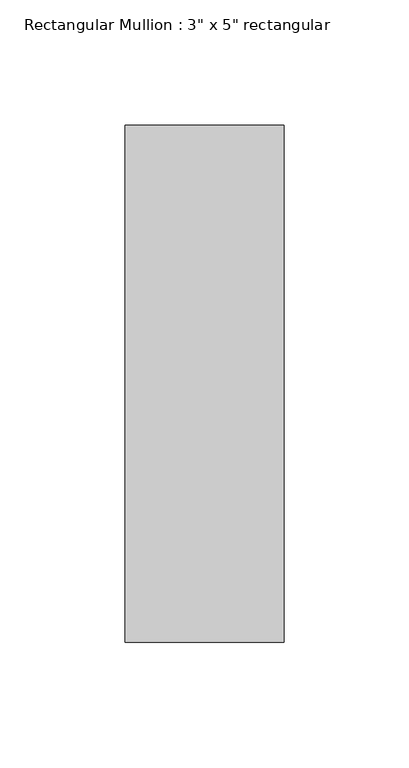
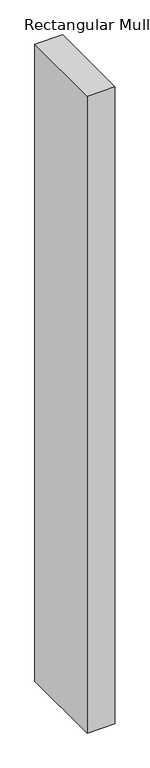
"""IFC4 building model written with IfcOpenShell, lengths in millimetres: member geometry."""

from ifc_helpers import new_model, si_unit, frame, origin, place, context, project, spatial, polyline, outline, extrude, source, transform, mapped, element, save


def member_3adb1922(model_context):
    return source(origin(), model_context, "Body", "SweptSolid", [
        extrude(outline(polyline([(31.75, 90.551), (31.75, -115.951), (-31.75, -115.951), (-31.75, 90.551), (31.75, 90.551)])), frame((0.0, 0.0, -1536.7), z_axis=(0.0, 0.0, 1.0), x_axis=(1.0, 0.0, 0.0)), (0.0, 0.0, 1.0), 1536.7),
    ])


if __name__ == "__main__":
    model = new_model("IFC4")
    model_context = context("Model", 3, world=origin())
    ifc_project = project(units=[si_unit("LENGTHUNIT", "METRE", prefix="MILLI")], contexts=[model_context])
    site = spatial("IfcSite", under=ifc_project)
    building = spatial("IfcBuilding", under=site)
    placement = place(None, origin())
    member_shape = member_3adb1922(model_context)
    element("IfcMember", 1, ObjectType="Rectangular Mullion : 3\" x 5\" rectangular", at=placement, inside=building, context=model_context, shape_type="MappedRepresentation", body=[
        mapped(member_shape, transform((0.0, 0.0, 0.0), x_axis=(1.0, 0.0, 0.0), y_axis=(0.0, 1.0, 0.0), z_axis=(0.0, 0.0, 1.0))),
    ])
    save(model, "model.ifc")
